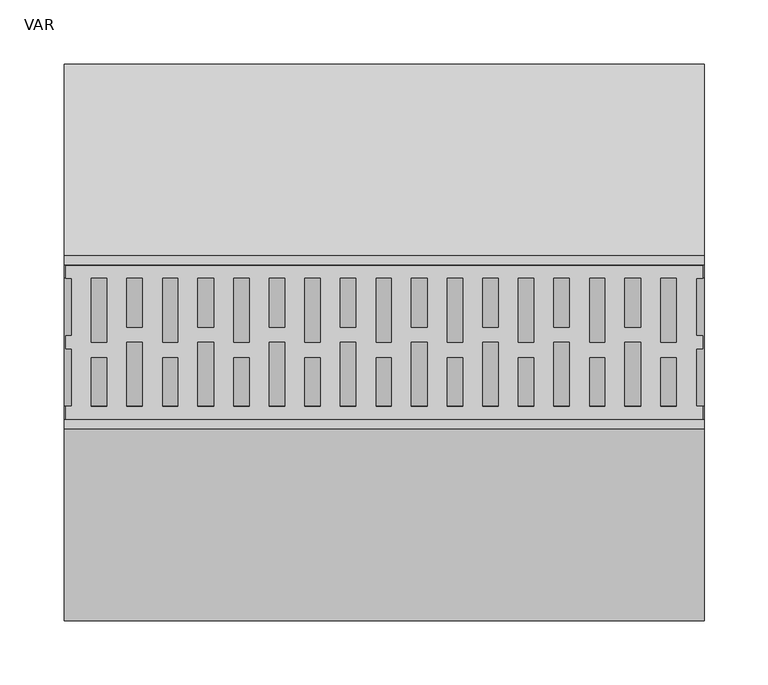
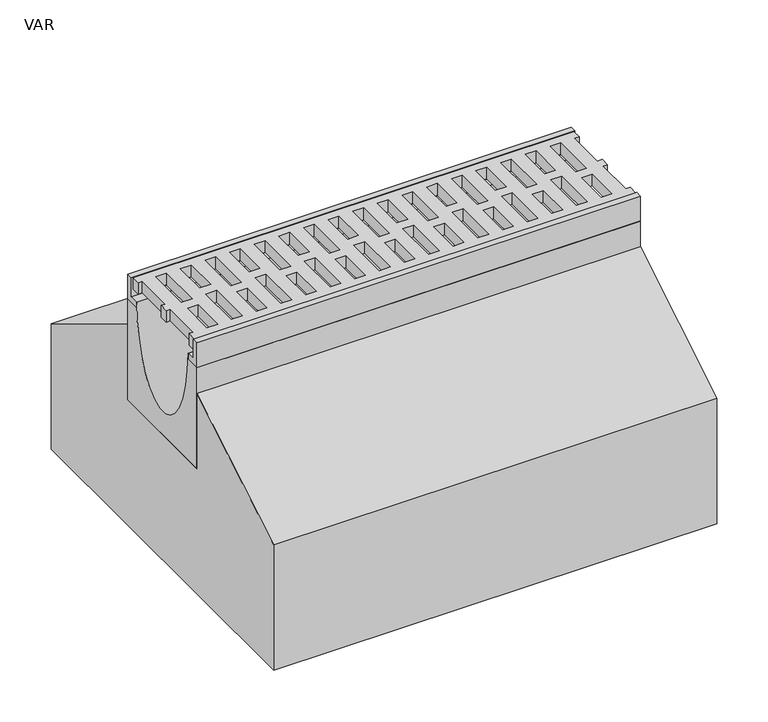
"""IFC4 building model written with IfcOpenShell, lengths in millimetres: flow terminal geometry, VAR."""

import ifcopenshell
import ifcopenshell.guid

model = None  # the IFC model being written
_history = None  # IfcOwnerHistory: only IFC2X3 demands one
_inside = {}  # id of a spatial element -> (the spatial element, [elements in it])
_under = {}  # id of a project, library or spatial element -> (it, [spatial elements below it])
_declared = {}  # id of a project -> (the project, [libraries it declares])
_typed = {}  # id of a type object -> (the type object, [elements of that type])
_made_of = {}  # id of a material, layer set ... -> (it, [elements and type objects made of it])


def new_model(schema):
    """Start an empty IFC model of exactly this schema.

    Asked for "IFC4X3", IfcOpenShell would pick the latest addendum, in which some entities
    have other attributes; the version numbers below select the first issue.
    IFC2X3 requires an IfcOwnerHistory on every rooted entity: one is made here for all.
    """
    global model, _history
    if schema == "IFC4X3":
        model = ifcopenshell.file(schema_version=(4, 3, 0, 0))
    else:
        model = ifcopenshell.file(schema=schema)
    _inside.clear()
    _under.clear()
    _declared.clear()
    _typed.clear()
    _made_of.clear()
    _history = None
    if model.schema == "IFC2X3":
        org = make("IfcOrganization", Name="unknown")
        user = make(
            "IfcPersonAndOrganization",
            ThePerson=make("IfcPerson", FamilyName="unknown"),
            TheOrganization=org,
        )
        app = make(
            "IfcApplication",
            ApplicationDeveloper=org,
            Version="unknown",
            ApplicationFullName="unknown",
            ApplicationIdentifier="unknown",
        )
        _history = make(
            "IfcOwnerHistory",
            OwningUser=user,
            OwningApplication=app,
            ChangeAction="ADDED",
            CreationDate=0,
        )
    return model


def make(cls, **values):
    """One entity of the class cls with the attributes given. An attribute that is None is left unset."""
    return model.create_entity(
        cls, **{name: value for name, value in values.items() if value is not None}
    )


def rooted(cls, **values):
    """An entity with a GlobalId (a new one), such as an element, a storey or a relation."""
    return make(cls, GlobalId=ifcopenshell.guid.new(), OwnerHistory=_history, **values)


def si_unit(unit_type, name, prefix=None):
    """IfcSIUnit, for example si_unit("LENGTHUNIT", "METRE", prefix="MILLI")."""
    return make("IfcSIUnit", UnitType=unit_type, Prefix=prefix, Name=name)


def assignment(units):
    """IfcUnitAssignment: the units of a project."""
    return None if units is None else make("IfcUnitAssignment", Units=units)


def point(xyz):
    """IfcCartesianPoint."""
    return None if xyz is None else make("IfcCartesianPoint", Coordinates=xyz)


def direction(xyz):
    """IfcDirection."""
    return None if xyz is None else make("IfcDirection", DirectionRatios=xyz)


def frame(location, z_axis=None, x_axis=None):
    """IfcAxis2Placement3D, a coordinate frame: its origin and axes. An axis left out is left unset."""
    return make(
        "IfcAxis2Placement3D",
        Location=point(location),
        Axis=direction(z_axis),
        RefDirection=direction(x_axis),
    )


def origin():
    """The frame at (0, 0, 0) with its axes left unset."""
    return frame((0.0, 0.0, 0.0))


def place(relative_to, where):
    """IfcLocalPlacement: puts the frame where relative to a parent placement (None: the world)."""
    return make(
        "IfcLocalPlacement", PlacementRelTo=relative_to, RelativePlacement=where
    )


def context(
    kind, dimensions, precision=None, world=None, true_north=None, identifier=None
):
    """IfcGeometricRepresentationContext, for example the 3D "Model" context."""
    return make(
        "IfcGeometricRepresentationContext",
        ContextIdentifier=identifier,
        ContextType=kind,
        CoordinateSpaceDimension=dimensions,
        Precision=precision,
        WorldCoordinateSystem=world,
        TrueNorth=true_north,
    )


def project(units=None, contexts=None):
    """IfcProject with its units and contexts."""
    return rooted(
        "IfcProject",
        Name="project",
        RepresentationContexts=contexts,
        UnitsInContext=assignment(units),
    )


def spatial(cls, under=None, at=None, **own):
    """A site, building, storey or space (cls), placed at a placement, below another one or the project."""
    s = rooted(cls, ObjectPlacement=at, **own)
    if under is not None:
        _under.setdefault(under.id(), (under, []))[1].append(s)
    return s


def polyline(points):
    """IfcPolyline through the points."""
    return make("IfcPolyline", Points=[point(p) for p in points])


def ellipse_curve(where, semi_axis1, semi_axis2):
    """IfcEllipse in the frame where."""
    return make(
        "IfcEllipse", Position=where, SemiAxis1=semi_axis1, SemiAxis2=semi_axis2
    )


def trimmed(basis, trim1, trim2, sense, master):
    """IfcTrimmedCurve: the piece of a basis curve between two trims."""
    return make(
        "IfcTrimmedCurve",
        BasisCurve=basis,
        Trim1=trim1,
        Trim2=trim2,
        SenseAgreement=sense,
        MasterRepresentation=master,
    )


def outline(outer, holes=None, kind="AREA"):
    """IfcArbitraryClosedProfileDef: a profile drawn as a closed curve; with holes, ...WithVoids."""
    if holes is None:
        return make("IfcArbitraryClosedProfileDef", ProfileType=kind, OuterCurve=outer)
    return make(
        "IfcArbitraryProfileDefWithVoids",
        ProfileType=kind,
        OuterCurve=outer,
        InnerCurves=holes,
    )


def extrude(swept, where, along, depth):
    """IfcExtrudedAreaSolid: the profile swept, set in the frame where, extruded along a direction by depth."""
    return make(
        "IfcExtrudedAreaSolid",
        SweptArea=swept,
        Position=where,
        ExtrudedDirection=direction(along),
        Depth=depth,
    )


def shape(context_of_items, identifier, shape_type, items):
    """IfcShapeRepresentation: the items that make up one representation, for example the "Body"."""
    return make(
        "IfcShapeRepresentation",
        ContextOfItems=context_of_items,
        RepresentationIdentifier=identifier,
        RepresentationType=shape_type,
        Items=items,
    )


def source(mapping_origin, context_of_items, identifier, shape_type, items):
    """IfcRepresentationMap: a shape defined once, which mapped items show again and again."""
    return make(
        "IfcRepresentationMap",
        MappingOrigin=mapping_origin,
        MappedRepresentation=shape(context_of_items, identifier, shape_type, items),
    )


def transform(
    local_origin,
    x_axis=None,
    y_axis=None,
    z_axis=None,
    scale=None,
    scale2=None,
    scale3=None,
    uniform=True,
):
    """IfcCartesianTransformationOperator3D, or its non-uniform kind. x_axis, y_axis, z_axis: its Axis1, 2, 3."""
    if uniform:
        return make(
            "IfcCartesianTransformationOperator3D",
            Axis1=direction(x_axis),
            Axis2=direction(y_axis),
            LocalOrigin=point(local_origin),
            Scale=scale,
            Axis3=direction(z_axis),
        )
    return make(
        "IfcCartesianTransformationOperator3DnonUniform",
        Axis1=direction(x_axis),
        Axis2=direction(y_axis),
        LocalOrigin=point(local_origin),
        Scale=scale,
        Axis3=direction(z_axis),
        Scale2=scale2,
        Scale3=scale3,
    )


def mapped(mapping_source, mapping_target):
    """IfcMappedItem: shows the shape of a source again, moved by a transform."""
    return make(
        "IfcMappedItem", MappingSource=mapping_source, MappingTarget=mapping_target
    )


def made_of(thing, what):
    """Note that an element or type object is made of a material, layer set ...; save() writes the relation."""
    if what is not None:
        _made_of.setdefault(what.id(), (what, []))[1].append(thing)
    return thing


def element(
    cls,
    number,
    at=None,
    inside=None,
    cuts=None,
    type_object=None,
    material=None,
    context=None,
    identifier="Body",
    shape_type=None,
    held_by="IfcProductDefinitionShape",
    body=None,
    shapes=None,
    **own,
):
    """One element of the class cls, such as IfcWall. Its Tag is "e" and its number.

    at: its placement. inside: the storey or other place that contains it. cuts: it is an
    opening in that element (IfcRelVoidsElement). A single representation is given by context,
    identifier, shape_type and body (its items); several are given by shapes. held_by: the class
    of the entity that holds the representations. save() writes the other relations.
    """
    e = rooted(cls, Tag="e%d" % number, ObjectPlacement=at, **own)
    if body is not None:
        shapes = [shape(context, identifier, shape_type, body)]
    if shapes is not None:
        e.Representation = make(held_by, Representations=shapes)
    if inside is not None:
        _inside.setdefault(inside.id(), (inside, []))[1].append(e)
    if cuts is not None:
        rooted(
            "IfcRelVoidsElement", RelatingBuildingElement=cuts, RelatedOpeningElement=e
        )
    if type_object is not None:
        _typed.setdefault(type_object.id(), (type_object, []))[1].append(e)
    return made_of(e, material)


def aggregate(whole, parts):
    """IfcRelAggregates: a whole, such as a stair, and the parts it consists of."""
    return rooted("IfcRelAggregates", RelatingObject=whole, RelatedObjects=parts)


def save(model, path):
    """Write the relations noted so far, then the file.

    IfcRelAggregates (storeys below a building ...), IfcRelContainedInSpatialStructure (elements
    in a storey), IfcRelDefinesByType, IfcRelAssociatesMaterial and IfcRelDeclares: one each for
    every whole, place, type object, material and project.
    """
    for whole, parts in _under.values():
        aggregate(whole, parts)
    for where, things in _inside.values():
        rooted(
            "IfcRelContainedInSpatialStructure",
            RelatedElements=things,
            RelatingStructure=where,
        )
    for kind, things in _typed.values():
        rooted("IfcRelDefinesByType", RelatedObjects=things, RelatingType=kind)
    for what, things in _made_of.values():
        rooted("IfcRelAssociatesMaterial", RelatedObjects=things, RelatingMaterial=what)
    for by, libraries in _declared.values():
        rooted("IfcRelDeclares", RelatingContext=by, RelatedDefinitions=libraries)
    model.write(path)


def plane_surface(at):
    """IfcPlane: the flat surface through the origin of the frame at, square to its z axis."""
    return make("IfcPlane", Position=at)


def extruded_surface(curve, direction_of_extrusion, depth):
    """IfcSurfaceOfLinearExtrusion: the curve pushed along a direction by depth."""
    return make(
        "IfcSurfaceOfLinearExtrusion",
        SweptCurve=make("IfcArbitraryOpenProfileDef", ProfileType="CURVE", Curve=curve),
        ExtrudedDirection=direction(direction_of_extrusion),
        Depth=depth,
    )


def advanced_brep(points, edges, surfaces, faces):
    """IfcAdvancedBrep: a solid bounded by faces that lie on surfaces and meet in shared edges.

    An edge is (start, end): straight between two places in points (the first is 0);
    or (start, end, curve); or (start, end, curve, False) where it runs against its curve.
    A face is (place in surfaces, loops), or (place, loops, False) where it looks against
    its surface's normal. A loop lists edges by number (the first is 1), with a minus sign
    where the edge is run from its end to its start. The first loop is the outer one.
    """
    corners = [point(p) for p in points]
    vertices = [make("IfcVertexPoint", VertexGeometry=c) for c in corners]
    made = []
    for start, end, *more in edges:
        made.append(
            make(
                "IfcEdgeCurve",
                EdgeStart=vertices[start],
                EdgeEnd=vertices[end],
                EdgeGeometry=more[0] if more else make("IfcPolyline", Points=[corners[start], corners[end]]),
                SameSense=more[1] if len(more) > 1 else True,
            )
        )
    hull = []
    for where, loops, *sense in faces:
        bounds = []
        for j, loop in enumerate(loops):
            ring = [make("IfcOrientedEdge", EdgeElement=made[abs(k) - 1], Orientation=k > 0) for k in loop]
            bounds.append(
                make(
                    "IfcFaceOuterBound" if j == 0 else "IfcFaceBound",
                    Bound=make("IfcEdgeLoop", EdgeList=ring),
                    Orientation=True,
                )
            )
        hull.append(make("IfcAdvancedFace", Bounds=bounds, FaceSurface=surfaces[where], SameSense=sense[0] if sense else True))
    return make("IfcAdvancedBrep", Outer=make("IfcClosedShell", CfsFaces=hull))


def var_d05a792b(model_context):
    return source(origin(), model_context, "Body", "SolidModel", [
        extrude(outline(polyline([(499.0, 50.0), (493.7871589, 50.0), (493.7871589, 5.0), (499.0, 5.0), (499.0, -5.0), (493.9604202, -5.0), (493.9604202, -50.0), (499.0, -50.0), (499.0, -60.0), (1.5, -60.0), (1.5, -50.0), (6.0847381, -50.0), (6.0847381, -5.0), (1.5, -5.0), (1.5, 5.0), (6.0847381, 5.0), (6.0847381, 50.0), (1.5, 50.0), (1.5, 60.0), (499.0, 60.0), (499.0, 50.0)]), holes=[polyline([(478.2, 50.0), (466.2429028, 50.0), (466.2429028, 0.0), (478.2, 0.0), (478.2, 50.0)]), polyline([(422.6, 50.0), (410.6429028, 50.0), (410.6429028, 0.0), (422.6, 0.0), (422.6, 50.0)]), polyline([(367.0, 50.0), (355.0429028, 50.0), (355.0429028, 0.0), (367.0, 0.0), (367.0, 50.0)]), polyline([(311.4, 50.0), (299.4429028, 50.0), (299.4429028, 0.0), (311.4, 0.0), (311.4, 50.0)]), polyline([(255.8, 50.0), (243.8429028, 50.0), (243.8429028, 0.0), (255.8, 0.0), (255.8, 50.0)]), polyline([(200.2, 50.0), (188.2429028, 50.0), (188.2429028, 0.0), (200.2, 0.0), (200.2, 50.0)]), polyline([(144.6, 50.0), (132.6429028, 50.0), (132.6429028, 0.0), (144.6, 0.0), (144.6, 50.0)]), polyline([(89.0, 50.0), (77.0429028, 50.0), (77.0429028, 0.0), (89.0, 0.0), (89.0, 50.0)]), polyline([(49.0305238, -50.0), (61.2, -50.0), (61.2, 0.0), (49.0305238, 0.0), (49.0305238, -50.0)]), polyline([(104.6305238, -50.0), (116.8, -50.0), (116.8, 0.0), (104.6305238, 0.0), (104.6305238, -50.0)]), polyline([(160.2305238, -50.0), (172.4, -50.0), (172.4, 0.0), (160.2305238, 0.0), (160.2305238, -50.0)]), polyline([(215.8305238, -50.0), (228.0, -50.0), (228.0, 0.0), (215.8305238, 0.0), (215.8305238, -50.0)]), polyline([(271.4305238, -50.0), (283.6, -50.0), (283.6, 0.0), (271.4305238, 0.0), (271.4305238, -50.0)]), polyline([(327.0305238, -50.0), (339.2, -50.0), (339.2, 0.0), (327.0305238, 0.0), (327.0305238, -50.0)]), polyline([(382.6305238, -50.0), (394.8, -50.0), (394.8, 0.0), (382.6305238, 0.0), (382.6305238, -50.0)]), polyline([(438.2305238, -50.0), (450.4, -50.0), (450.4, 0.0), (438.2305238, 0.0), (438.2305238, -50.0)]), polyline([(450.4, 50.0), (438.2305238, 50.0), (438.2305238, 11.948473), (450.4, 11.948473), (450.4, 50.0)]), polyline([(394.8, 50.0), (382.6305238, 50.0), (382.6305238, 11.948473), (394.8, 11.948473), (394.8, 50.0)]), polyline([(339.2, 50.0), (327.0305238, 50.0), (327.0305238, 11.948473), (339.2, 11.948473), (339.2, 50.0)]), polyline([(283.6, 50.0), (271.4305238, 50.0), (271.4305238, 11.948473), (283.6, 11.948473), (283.6, 50.0)]), polyline([(228.0, 50.0), (215.8305238, 50.0), (215.8305238, 11.948473), (228.0, 11.948473), (228.0, 50.0)]), polyline([(172.4, 50.0), (160.2305238, 50.0), (160.2305238, 11.948473), (172.4, 11.948473), (172.4, 50.0)]), polyline([(116.8, 50.0), (104.6305238, 50.0), (104.6305238, 11.948473), (116.8, 11.948473), (116.8, 50.0)]), polyline([(61.2, 50.0), (49.0305238, 50.0), (49.0305238, 11.948473), (61.2, 11.948473), (61.2, 50.0)]), polyline([(478.2, -50.0), (478.2, -11.948473), (466.2, -11.948473), (466.2, -50.0), (478.2, -50.0)]), polyline([(422.6, -50.0), (422.6, -11.948473), (410.6, -11.948473), (410.6, -50.0), (422.6, -50.0)]), polyline([(367.0, -50.0), (367.0, -11.948473), (355.0, -11.948473), (355.0, -50.0), (367.0, -50.0)]), polyline([(311.4, -50.0), (311.4, -11.948473), (299.4, -11.948473), (299.4, -50.0), (311.4, -50.0)]), polyline([(255.8, -50.0), (255.8, -11.948473), (243.8, -11.948473), (243.8, -50.0), (255.8, -50.0)]), polyline([(200.2, -50.0), (200.2, -11.948473), (188.2, -11.948473), (188.2, -50.0), (200.2, -50.0)]), polyline([(144.6, -50.0), (144.6, -11.948473), (132.6, -11.948473), (132.6, -50.0), (144.6, -50.0)]), polyline([(89.0, -50.0), (89.0, -11.948473), (77.0, -11.948473), (77.0, -50.0), (89.0, -50.0)]), polyline([(33.4, -50.0), (33.4, -11.948473), (21.4, -11.948473), (21.4, -50.0), (33.4, -50.0)]), polyline([(33.4, 50.0), (21.4429028, 50.0), (21.4429028, 0.0), (33.4, 0.0), (33.4, 50.0)])]), frame((0.0, 0.0, -14.0), z_axis=(0.0, 0.0, 1.0), x_axis=(1.0, 0.0, 0.0)), (0.0, 0.0, 1.0), 14.0),
        advanced_brep(
        [(0.0, 50.0, -30.0), (0.0, 67.5, -30.0), (0.0, 67.5, -150.0), (0.0, -67.5, -150.0), (0.0, -67.5, -30.0), (0.0, -50.0, -30.0), (0.0, -50.0, -23.0), (0.0, 50.0, -23.0), (500.0, 50.0, -30.0), (500.0, 50.0, -23.0), (500.0, -50.0, -23.0), (500.0, -50.0, -30.0), (500.0, -67.5, -30.0), (500.0, -67.5, -150.0), (500.0, 67.5, -150.0), (500.0, 67.5, -30.0)],
        [
            (0, 1),
            (1, 2),
            (2, 3),
            (3, 4),
            (4, 5),
            (5, 6),
            (6, 7, ellipse_curve(frame((0.0, 0.0, -23.0), z_axis=(1.0, 0.0, 0.0), x_axis=(0.0, 1.0, 0.0)), 50.0, 100.0)),
            (7, 0),
            (8, 9),
            (9, 10, ellipse_curve(frame((500.0, 0.0, -23.0), z_axis=(-1.0, 0.0, 0.0), x_axis=(0.0, 1.0, 0.0)), 50.0, 100.0)),
            (10, 11),
            (11, 12),
            (12, 13),
            (13, 14),
            (14, 15),
            (15, 8),
            (8, 0),
            (7, 9),
            (6, 10),
            (5, 11),
            (4, 12),
            (3, 13),
            (2, 14),
            (1, 15),
        ],
        [
            plane_surface(frame((0.0, 0.0, -58.25), z_axis=(-1.0, 0.0, 0.0), x_axis=(0.0, 0.0, 1.0))),
            plane_surface(frame((500.0, 0.0, -58.25), z_axis=(1.0, 0.0, 0.0), x_axis=(0.0, 0.0, 1.0))),
            plane_surface(frame((500.0, 50.0, -26.5), z_axis=(0.0, 1.0, 0.0), x_axis=(0.0, 0.0, 1.0))),
            extruded_surface(trimmed(ellipse_curve(frame((0.0, 0.0, -23.0), z_axis=(-1.0, 0.0, 0.0), x_axis=(0.0, 1.0, 0.0)), 50.0, 100.0), [point((0.0, 50.0, -23.0))], [point((0.0, -50.0, -23.0))], True, "CARTESIAN"), (500.0, 0.0, 0.0), 500.0),
            plane_surface(frame((500.0, -50.0, -26.5), z_axis=(0.0, -1.0, 0.0), x_axis=(0.0, 0.0, -1.0))),
            plane_surface(frame((500.0, -58.75, -30.0), z_axis=(0.0, 0.0, 1.0), x_axis=(0.0, -1.0, 0.0))),
            plane_surface(frame((500.0, -67.5, -90.0), z_axis=(0.0, -1.0, 0.0), x_axis=(0.0, 0.0, -1.0))),
            plane_surface(frame((500.0, 0.0, -150.0), z_axis=(0.0, 0.0, -1.0), x_axis=(0.0, 1.0, 0.0))),
            plane_surface(frame((500.0, 67.5, -90.0), z_axis=(0.0, 1.0, 0.0), x_axis=(0.0, 0.0, 1.0))),
            plane_surface(frame((500.0, 58.75, -30.0), z_axis=(0.0, 0.0, 1.0), x_axis=(0.0, -1.0, 0.0))),
        ],
        [
            (0, [[1, 2, 3, 4, 5, 6, 7, 8]]),
            (1, [[9, 10, 11, 12, 13, 14, 15, 16]]),
            (2, [[17, -8, 18, -9]]),
            (3, [[-18, -7, 19, -10]]),
            (4, [[-19, -6, 20, -11]]),
            (5, [[-20, -5, 21, -12]]),
            (6, [[-21, -4, 22, -13]]),
            (7, [[-22, -3, 23, -14]]),
            (8, [[-23, -2, 24, -15]]),
            (9, [[-24, -1, -17, -16]]),
        ],
    ),
        extrude(outline(polyline([(60.5, 0.0), (67.5, 0.0), (67.5, -30.0), (50.0, -30.0), (50.0, -23.0), (60.5, -23.0), (60.5, 0.0)])), frame((0.0, 0.0, 0.0), z_axis=(1.0, 0.0, 0.0), x_axis=(0.0, 1.0, 0.0)), (0.0, 0.0, 1.0), 500.0),
        extrude(outline(polyline([(-60.5, 0.0), (-60.5, -23.0), (-50.0, -23.0), (-50.0, -30.0), (-67.5, -30.0), (-67.5, 0.0), (-60.5, 0.0)])), frame((0.0, 0.0, 0.0), z_axis=(1.0, 0.0, 0.0), x_axis=(0.0, 1.0, 0.0)), (0.0, 0.0, 1.0), 500.0),
        extrude(outline(polyline([(67.5, -150.0), (67.5, -60.0), (217.5, -150.0), (217.5, -300.0), (-217.5, -300.0), (-217.5, -150.0), (-67.5, -60.0), (-67.5, -150.0), (67.5, -150.0)])), frame((0.0, 0.0, 0.0), z_axis=(1.0, 0.0, 0.0), x_axis=(0.0, 1.0, 0.0)), (0.0, 0.0, 1.0), 500.0),
    ])


if __name__ == "__main__":
    model = new_model("IFC4")
    model_context = context("Model", 3, world=origin())
    ifc_project = project(units=[si_unit("LENGTHUNIT", "METRE", prefix="MILLI")], contexts=[model_context])
    site = spatial("IfcSite", under=ifc_project)
    building = spatial("IfcBuilding", under=site)
    placement = place(None, origin())
    var_shape = var_d05a792b(model_context)
    element("IfcFlowTerminal", 1, ObjectType="VAR", at=placement, inside=building, context=model_context, shape_type="MappedRepresentation", body=[
        mapped(var_shape, transform((0.0, 0.0, 0.0), x_axis=(1.0, 0.0, 0.0), y_axis=(0.0, 1.0, 0.0), z_axis=(0.0, 0.0, 1.0))),
    ])
    save(model, "model.ifc")
